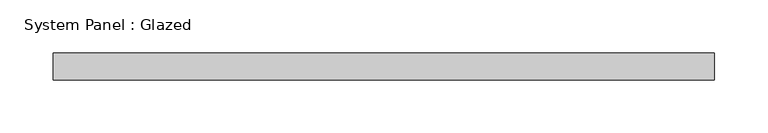
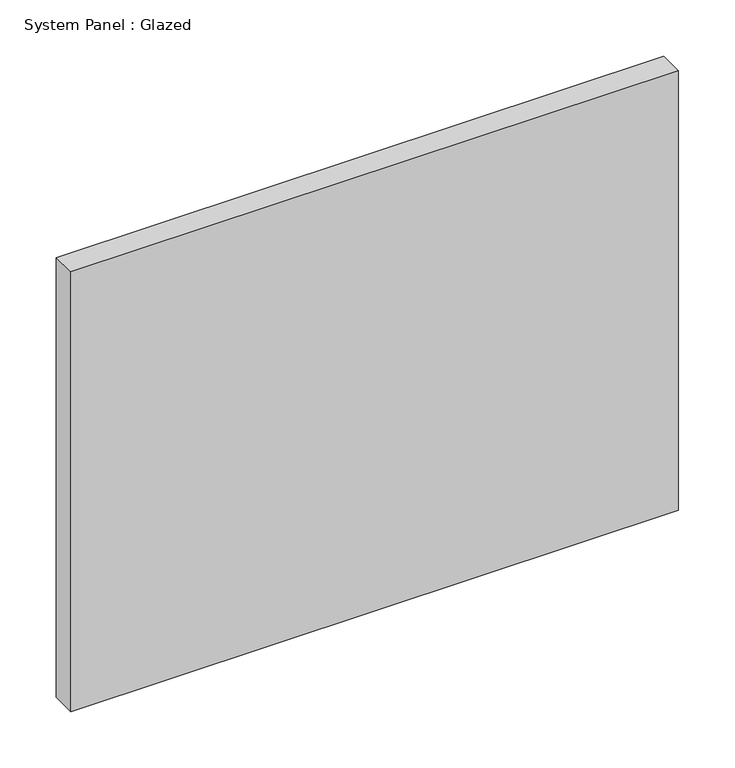
"""IFC4 building model written with IfcOpenShell, lengths in millimetres: plate geometry, System Panel : Glazed."""

from ifc_helpers import new_model, si_unit, origin, origin_with_axes, place, context, project, spatial, polyline, outline, extrude, source, transform, mapped, element, save


def system_panel_glazed_bebfe73d(model_context):
    return source(origin(), model_context, "Body", "SweptSolid", [
        extrude(outline(polyline([(311.15, -12.7), (-311.15, -12.7), (-311.15, 12.7), (311.15, 12.7), (311.15, -12.7)])), origin_with_axes(), (0.0, 0.0, 1.0), 476.25),
    ])


if __name__ == "__main__":
    model = new_model("IFC4")
    model_context = context("Model", 3, world=origin())
    ifc_project = project(units=[si_unit("LENGTHUNIT", "METRE", prefix="MILLI")], contexts=[model_context])
    site = spatial("IfcSite", under=ifc_project)
    building = spatial("IfcBuilding", under=site)
    placement = place(None, origin())
    system_panel_glazed_shape = system_panel_glazed_bebfe73d(model_context)
    element("IfcPlate", 1, ObjectType="System Panel : Glazed", at=placement, inside=building, context=model_context, shape_type="MappedRepresentation", body=[
        mapped(system_panel_glazed_shape, transform((0.0, 0.0, 0.0), x_axis=(1.0, 0.0, 0.0), y_axis=(0.0, 1.0, 0.0), z_axis=(0.0, 0.0, 1.0))),
    ])
    save(model, "model.ifc")
